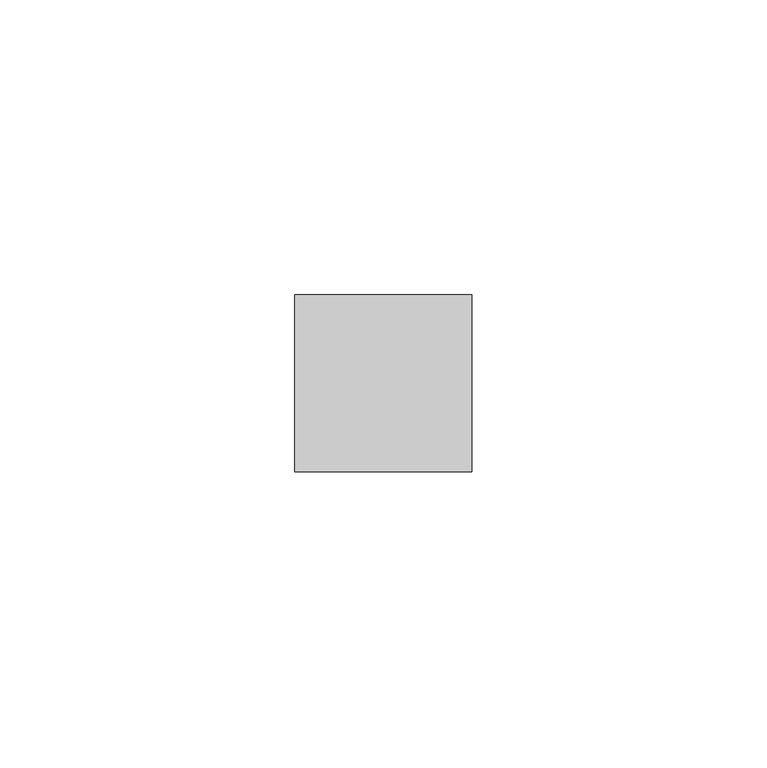
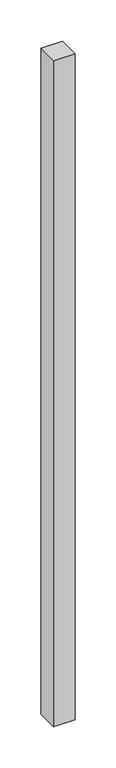
"""IFC4 building model written with IfcOpenShell, lengths in millimetres: member geometry."""

from ifc_helpers import new_model, si_unit, frame, origin, place, context, project, spatial, polyline, outline, extrude, source, transform, mapped, element, save


def member_97f28401(model_context):
    return source(origin(), model_context, "Body", "SweptSolid", [
        extrude(outline(polyline([(15.0, 15.0), (15.0, -15.0), (-15.0, -15.0), (-15.0, 15.0), (15.0, 15.0)])), frame((0.0, 0.0, -985.8333333), z_axis=(0.0, 0.0, 1.0), x_axis=(1.0, 0.0, 0.0)), (0.0, 0.0, 1.0), 985.8333333),
    ])


if __name__ == "__main__":
    model = new_model("IFC4")
    model_context = context("Model", 3, world=origin())
    ifc_project = project(units=[si_unit("LENGTHUNIT", "METRE", prefix="MILLI")], contexts=[model_context])
    site = spatial("IfcSite", under=ifc_project)
    building = spatial("IfcBuilding", under=site)
    placement = place(None, origin())
    member_shape = member_97f28401(model_context)
    element("IfcMember", 1, at=placement, inside=building, context=model_context, shape_type="MappedRepresentation", body=[
        mapped(member_shape, transform((0.0, 0.0, 0.0), x_axis=(1.0, 0.0, 0.0), y_axis=(0.0, 1.0, 0.0), z_axis=(0.0, 0.0, 1.0))),
    ])
    save(model, "model.ifc")
